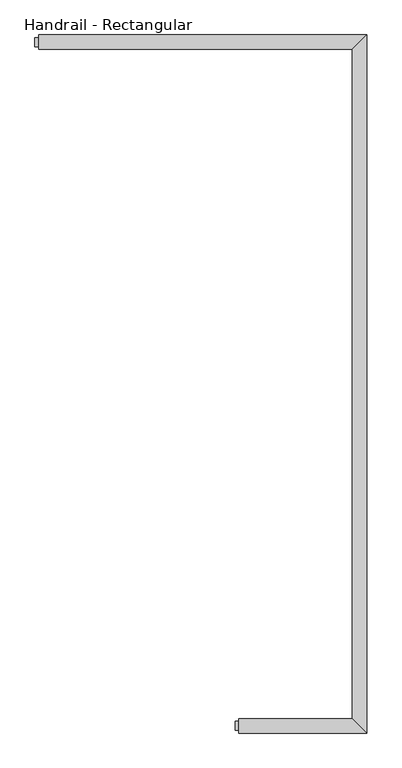
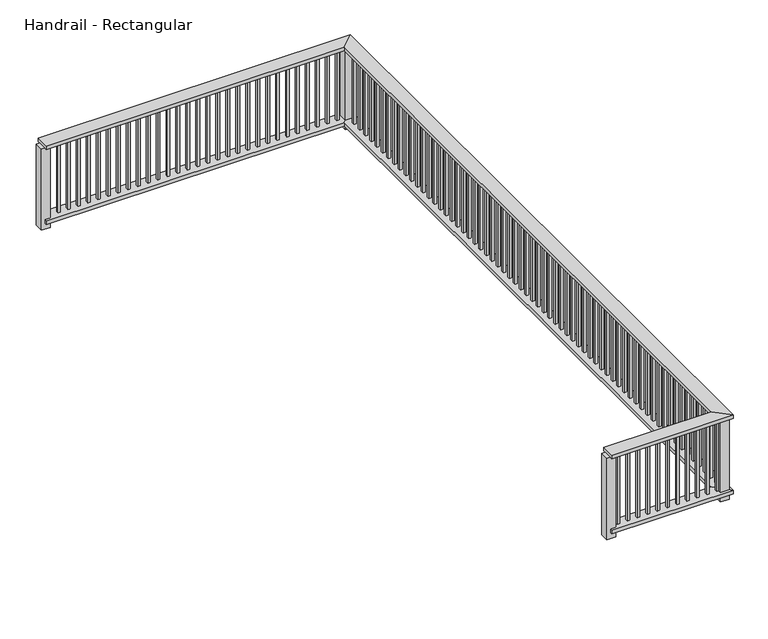
"""IFC4 building model written with IfcOpenShell, lengths in millimetres: railing geometry, Handrail - Rectangular."""

import ifcopenshell
import ifcopenshell.guid

model = None  # the IFC model being written
_history = None  # IfcOwnerHistory: only IFC2X3 demands one
_inside = {}  # id of a spatial element -> (the spatial element, [elements in it])
_under = {}  # id of a project, library or spatial element -> (it, [spatial elements below it])
_declared = {}  # id of a project -> (the project, [libraries it declares])
_typed = {}  # id of a type object -> (the type object, [elements of that type])
_made_of = {}  # id of a material, layer set ... -> (it, [elements and type objects made of it])


def new_model(schema):
    """Start an empty IFC model of exactly this schema.

    Asked for "IFC4X3", IfcOpenShell would pick the latest addendum, in which some entities
    have other attributes; the version numbers below select the first issue.
    IFC2X3 requires an IfcOwnerHistory on every rooted entity: one is made here for all.
    """
    global model, _history
    if schema == "IFC4X3":
        model = ifcopenshell.file(schema_version=(4, 3, 0, 0))
    else:
        model = ifcopenshell.file(schema=schema)
    _inside.clear()
    _under.clear()
    _declared.clear()
    _typed.clear()
    _made_of.clear()
    _history = None
    if model.schema == "IFC2X3":
        org = make("IfcOrganization", Name="unknown")
        user = make(
            "IfcPersonAndOrganization",
            ThePerson=make("IfcPerson", FamilyName="unknown"),
            TheOrganization=org,
        )
        app = make(
            "IfcApplication",
            ApplicationDeveloper=org,
            Version="unknown",
            ApplicationFullName="unknown",
            ApplicationIdentifier="unknown",
        )
        _history = make(
            "IfcOwnerHistory",
            OwningUser=user,
            OwningApplication=app,
            ChangeAction="ADDED",
            CreationDate=0,
        )
    return model


def make(cls, **values):
    """One entity of the class cls with the attributes given. An attribute that is None is left unset."""
    return model.create_entity(
        cls, **{name: value for name, value in values.items() if value is not None}
    )


def rooted(cls, **values):
    """An entity with a GlobalId (a new one), such as an element, a storey or a relation."""
    return make(cls, GlobalId=ifcopenshell.guid.new(), OwnerHistory=_history, **values)


def si_unit(unit_type, name, prefix=None):
    """IfcSIUnit, for example si_unit("LENGTHUNIT", "METRE", prefix="MILLI")."""
    return make("IfcSIUnit", UnitType=unit_type, Prefix=prefix, Name=name)


def assignment(units):
    """IfcUnitAssignment: the units of a project."""
    return None if units is None else make("IfcUnitAssignment", Units=units)


def point(xyz):
    """IfcCartesianPoint."""
    return None if xyz is None else make("IfcCartesianPoint", Coordinates=xyz)


def direction(xyz):
    """IfcDirection."""
    return None if xyz is None else make("IfcDirection", DirectionRatios=xyz)


def frame(location, z_axis=None, x_axis=None):
    """IfcAxis2Placement3D, a coordinate frame: its origin and axes. An axis left out is left unset."""
    return make(
        "IfcAxis2Placement3D",
        Location=point(location),
        Axis=direction(z_axis),
        RefDirection=direction(x_axis),
    )


def origin():
    """The frame at (0, 0, 0) with its axes left unset."""
    return frame((0.0, 0.0, 0.0))


def place(relative_to, where):
    """IfcLocalPlacement: puts the frame where relative to a parent placement (None: the world)."""
    return make(
        "IfcLocalPlacement", PlacementRelTo=relative_to, RelativePlacement=where
    )


def context(
    kind, dimensions, precision=None, world=None, true_north=None, identifier=None
):
    """IfcGeometricRepresentationContext, for example the 3D "Model" context."""
    return make(
        "IfcGeometricRepresentationContext",
        ContextIdentifier=identifier,
        ContextType=kind,
        CoordinateSpaceDimension=dimensions,
        Precision=precision,
        WorldCoordinateSystem=world,
        TrueNorth=true_north,
    )


def project(units=None, contexts=None):
    """IfcProject with its units and contexts."""
    return rooted(
        "IfcProject",
        Name="project",
        RepresentationContexts=contexts,
        UnitsInContext=assignment(units),
    )


def spatial(cls, under=None, at=None, **own):
    """A site, building, storey or space (cls), placed at a placement, below another one or the project."""
    s = rooted(cls, ObjectPlacement=at, **own)
    if under is not None:
        _under.setdefault(under.id(), (under, []))[1].append(s)
    return s


def polyline(points):
    """IfcPolyline through the points."""
    return make("IfcPolyline", Points=[point(p) for p in points])


def outline(outer, holes=None, kind="AREA"):
    """IfcArbitraryClosedProfileDef: a profile drawn as a closed curve; with holes, ...WithVoids."""
    if holes is None:
        return make("IfcArbitraryClosedProfileDef", ProfileType=kind, OuterCurve=outer)
    return make(
        "IfcArbitraryProfileDefWithVoids",
        ProfileType=kind,
        OuterCurve=outer,
        InnerCurves=holes,
    )


def extrude(swept, where, along, depth):
    """IfcExtrudedAreaSolid: the profile swept, set in the frame where, extruded along a direction by depth."""
    return make(
        "IfcExtrudedAreaSolid",
        SweptArea=swept,
        Position=where,
        ExtrudedDirection=direction(along),
        Depth=depth,
    )


def faces_of(points, faces, orient=None, outer=None):
    """IfcFace entities. A face is a list of loops; a loop is a list of indices into points, from 0.

    orient and outer hold one flag for each loop. By default every Orientation is true, the
    first loop of a face is its IfcFaceOuterBound and the others are IfcFaceBound.
    """
    made = []
    for i, loops in enumerate(faces):
        bounds = []
        for j, loop in enumerate(loops):
            is_outer = j == 0 if outer is None else outer[i][j]
            bounds.append(
                make(
                    "IfcFaceOuterBound" if is_outer else "IfcFaceBound",
                    Bound=make("IfcPolyLoop", Polygon=[points[k] for k in loop]),
                    Orientation=True if orient is None else orient[i][j],
                )
            )
        made.append(make("IfcFace", Bounds=bounds))
    return made


def faceted_brep(points, faces, orient=None, outer=None, voids=None):
    """IfcFacetedBrep: a solid bounded by flat faces; with voids (closed shells), ...WithVoids."""
    shared = [point(p) for p in points]
    hull = make("IfcClosedShell", CfsFaces=faces_of(shared, faces, orient, outer))
    if voids is None:
        return make("IfcFacetedBrep", Outer=hull)
    return make(
        "IfcFacetedBrepWithVoids",
        Outer=hull,
        Voids=[
            make(cls, CfsFaces=faces_of(shared, fs, o, b)) for cls, fs, o, b in voids
        ],
    )


def shape(context_of_items, identifier, shape_type, items):
    """IfcShapeRepresentation: the items that make up one representation, for example the "Body"."""
    return make(
        "IfcShapeRepresentation",
        ContextOfItems=context_of_items,
        RepresentationIdentifier=identifier,
        RepresentationType=shape_type,
        Items=items,
    )


def source(mapping_origin, context_of_items, identifier, shape_type, items):
    """IfcRepresentationMap: a shape defined once, which mapped items show again and again."""
    return make(
        "IfcRepresentationMap",
        MappingOrigin=mapping_origin,
        MappedRepresentation=shape(context_of_items, identifier, shape_type, items),
    )


def transform(
    local_origin,
    x_axis=None,
    y_axis=None,
    z_axis=None,
    scale=None,
    scale2=None,
    scale3=None,
    uniform=True,
):
    """IfcCartesianTransformationOperator3D, or its non-uniform kind. x_axis, y_axis, z_axis: its Axis1, 2, 3."""
    if uniform:
        return make(
            "IfcCartesianTransformationOperator3D",
            Axis1=direction(x_axis),
            Axis2=direction(y_axis),
            LocalOrigin=point(local_origin),
            Scale=scale,
            Axis3=direction(z_axis),
        )
    return make(
        "IfcCartesianTransformationOperator3DnonUniform",
        Axis1=direction(x_axis),
        Axis2=direction(y_axis),
        LocalOrigin=point(local_origin),
        Scale=scale,
        Axis3=direction(z_axis),
        Scale2=scale2,
        Scale3=scale3,
    )


def mapped(mapping_source, mapping_target):
    """IfcMappedItem: shows the shape of a source again, moved by a transform."""
    return make(
        "IfcMappedItem", MappingSource=mapping_source, MappingTarget=mapping_target
    )


def made_of(thing, what):
    """Note that an element or type object is made of a material, layer set ...; save() writes the relation."""
    if what is not None:
        _made_of.setdefault(what.id(), (what, []))[1].append(thing)
    return thing


def element(
    cls,
    number,
    at=None,
    inside=None,
    cuts=None,
    type_object=None,
    material=None,
    context=None,
    identifier="Body",
    shape_type=None,
    held_by="IfcProductDefinitionShape",
    body=None,
    shapes=None,
    **own,
):
    """One element of the class cls, such as IfcWall. Its Tag is "e" and its number.

    at: its placement. inside: the storey or other place that contains it. cuts: it is an
    opening in that element (IfcRelVoidsElement). A single representation is given by context,
    identifier, shape_type and body (its items); several are given by shapes. held_by: the class
    of the entity that holds the representations. save() writes the other relations.
    """
    e = rooted(cls, Tag="e%d" % number, ObjectPlacement=at, **own)
    if body is not None:
        shapes = [shape(context, identifier, shape_type, body)]
    if shapes is not None:
        e.Representation = make(held_by, Representations=shapes)
    if inside is not None:
        _inside.setdefault(inside.id(), (inside, []))[1].append(e)
    if cuts is not None:
        rooted(
            "IfcRelVoidsElement", RelatingBuildingElement=cuts, RelatedOpeningElement=e
        )
    if type_object is not None:
        _typed.setdefault(type_object.id(), (type_object, []))[1].append(e)
    return made_of(e, material)


def aggregate(whole, parts):
    """IfcRelAggregates: a whole, such as a stair, and the parts it consists of."""
    return rooted("IfcRelAggregates", RelatingObject=whole, RelatedObjects=parts)


def save(model, path):
    """Write the relations noted so far, then the file.

    IfcRelAggregates (storeys below a building ...), IfcRelContainedInSpatialStructure (elements
    in a storey), IfcRelDefinesByType, IfcRelAssociatesMaterial and IfcRelDeclares: one each for
    every whole, place, type object, material and project.
    """
    for whole, parts in _under.values():
        aggregate(whole, parts)
    for where, things in _inside.values():
        rooted(
            "IfcRelContainedInSpatialStructure",
            RelatedElements=things,
            RelatingStructure=where,
        )
    for kind, things in _typed.values():
        rooted("IfcRelDefinesByType", RelatedObjects=things, RelatingType=kind)
    for what, things in _made_of.values():
        rooted("IfcRelAssociatesMaterial", RelatedObjects=things, RelatingMaterial=what)
    for by, libraries in _declared.values():
        rooted("IfcRelDeclares", RelatingContext=by, RelatedDefinitions=libraries)
    model.write(path)


def handrail_rectangular_650aa019(model_context):
    return source(origin(), model_context, "Body", "SolidModel", [
        faceted_brep([(3105.8952348, 8651.0984734, -254.0), (3105.8952348, 8790.7984734, -254.0), (3105.8952348, 8790.7984734, -292.1), (3105.8952348, 8651.0984734, -292.1), (4344.1452348, 8651.0984734, -254.0), (4204.4452348, 8790.7984734, -254.0), (4344.1452348, 8651.0984734, -292.1), (4204.4452348, 8790.7984734, -292.1), (4344.1452348, 15420.1984734, -254.0), (4204.4452348, 15280.4984734, -254.0), (4344.1452348, 15420.1984734, -292.1), (4204.4452348, 15280.4984734, -292.1), (1162.7952348, 15420.1984734, -254.0), (1162.7952348, 15420.1984734, -292.1), (1162.7952348, 15280.4984734, -292.1), (1162.7952348, 15280.4984734, -254.0)], [[[0, 1, 2, 3]], [[1, 0, 4, 5]], [[0, 3, 6, 4]], [[3, 2, 7, 6]], [[2, 1, 5, 7]], [[5, 4, 8, 9]], [[4, 6, 10, 8]], [[6, 7, 11, 10]], [[7, 5, 9, 11]], [[12, 13, 14, 15]], [[9, 8, 12, 15]], [[8, 10, 13, 12]], [[10, 11, 14, 13]], [[11, 9, 15, 14]]]),
        faceted_brep([(3105.8952348, 8651.0984734, 558.8), (3105.8952348, 8790.7984734, 558.8), (3105.8952348, 8790.7984734, 520.7), (3105.8952348, 8651.0984734, 520.7), (4344.1452348, 8651.0984734, 558.8), (4204.4452348, 8790.7984734, 558.8), (4204.4452348, 8790.7984734, 520.7), (4344.1452348, 8651.0984734, 520.7), (4344.1452348, 15420.1984734, 558.8), (4204.4452348, 15280.4984734, 558.8), (4204.4452348, 15280.4984734, 520.7), (4344.1452348, 15420.1984734, 520.7), (1162.7952348, 15420.1984734, 558.8), (1162.7952348, 15420.1984734, 520.7), (1162.7952348, 15280.4984734, 520.7), (1162.7952348, 15280.4984734, 558.8)], [[[0, 1, 2, 3]], [[1, 0, 4, 5]], [[2, 1, 5, 6]], [[3, 2, 6, 7]], [[0, 3, 7, 4]], [[5, 4, 8, 9]], [[6, 5, 9, 10]], [[7, 6, 10, 11]], [[4, 7, 11, 8]], [[12, 13, 14, 15]], [[9, 8, 12, 15]], [[10, 9, 15, 14]], [[11, 10, 14, 13]], [[8, 11, 13, 12]]]),
        extrude(outline(polyline([(1238.9952348, 15363.0484734), (1238.9952348, 15337.6484734), (1213.5952348, 15337.6484734), (1213.5952348, 15363.0484734), (1238.9952348, 15363.0484734)])), frame((0.0, 0.0, -254.0), z_axis=(0.0, 0.0, 1.0), x_axis=(1.0, 0.0, 0.0)), (0.0, 0.0, 1.0), 774.7),
        extrude(outline(polyline([(1340.5952348, 15363.0484734), (1340.5952348, 15337.6484734), (1315.1952348, 15337.6484734), (1315.1952348, 15363.0484734), (1340.5952348, 15363.0484734)])), frame((0.0, 0.0, -254.0), z_axis=(0.0, 0.0, 1.0), x_axis=(1.0, 0.0, 0.0)), (0.0, 0.0, 1.0), 774.7),
        extrude(outline(polyline([(1442.1952348, 15363.0484734), (1442.1952348, 15337.6484734), (1416.7952348, 15337.6484734), (1416.7952348, 15363.0484734), (1442.1952348, 15363.0484734)])), frame((0.0, 0.0, -254.0), z_axis=(0.0, 0.0, 1.0), x_axis=(1.0, 0.0, 0.0)), (0.0, 0.0, 1.0), 774.7),
        extrude(outline(polyline([(1543.7952348, 15363.0484734), (1543.7952348, 15337.6484734), (1518.3952348, 15337.6484734), (1518.3952348, 15363.0484734), (1543.7952348, 15363.0484734)])), frame((0.0, 0.0, -254.0), z_axis=(0.0, 0.0, 1.0), x_axis=(1.0, 0.0, 0.0)), (0.0, 0.0, 1.0), 774.7),
        extrude(outline(polyline([(1645.3952348, 15363.0484734), (1645.3952348, 15337.6484734), (1619.9952348, 15337.6484734), (1619.9952348, 15363.0484734), (1645.3952348, 15363.0484734)])), frame((0.0, 0.0, -254.0), z_axis=(0.0, 0.0, 1.0), x_axis=(1.0, 0.0, 0.0)), (0.0, 0.0, 1.0), 774.7),
        extrude(outline(polyline([(1746.9952348, 15363.0484734), (1746.9952348, 15337.6484734), (1721.5952348, 15337.6484734), (1721.5952348, 15363.0484734), (1746.9952348, 15363.0484734)])), frame((0.0, 0.0, -254.0), z_axis=(0.0, 0.0, 1.0), x_axis=(1.0, 0.0, 0.0)), (0.0, 0.0, 1.0), 774.7),
        extrude(outline(polyline([(1848.5952348, 15363.0484734), (1848.5952348, 15337.6484734), (1823.1952348, 15337.6484734), (1823.1952348, 15363.0484734), (1848.5952348, 15363.0484734)])), frame((0.0, 0.0, -254.0), z_axis=(0.0, 0.0, 1.0), x_axis=(1.0, 0.0, 0.0)), (0.0, 0.0, 1.0), 774.7),
        extrude(outline(polyline([(1950.1952348, 15363.0484734), (1950.1952348, 15337.6484734), (1924.7952348, 15337.6484734), (1924.7952348, 15363.0484734), (1950.1952348, 15363.0484734)])), frame((0.0, 0.0, -254.0), z_axis=(0.0, 0.0, 1.0), x_axis=(1.0, 0.0, 0.0)), (0.0, 0.0, 1.0), 774.7),
        extrude(outline(polyline([(2051.7952348, 15363.0484734), (2051.7952348, 15337.6484734), (2026.3952348, 15337.6484734), (2026.3952348, 15363.0484734), (2051.7952348, 15363.0484734)])), frame((0.0, 0.0, -254.0), z_axis=(0.0, 0.0, 1.0), x_axis=(1.0, 0.0, 0.0)), (0.0, 0.0, 1.0), 774.7),
        extrude(outline(polyline([(2153.3952348, 15363.0484734), (2153.3952348, 15337.6484734), (2127.9952348, 15337.6484734), (2127.9952348, 15363.0484734), (2153.3952348, 15363.0484734)])), frame((0.0, 0.0, -254.0), z_axis=(0.0, 0.0, 1.0), x_axis=(1.0, 0.0, 0.0)), (0.0, 0.0, 1.0), 774.7),
        extrude(outline(polyline([(2254.9952348, 15363.0484734), (2254.9952348, 15337.6484734), (2229.5952348, 15337.6484734), (2229.5952348, 15363.0484734), (2254.9952348, 15363.0484734)])), frame((0.0, 0.0, -254.0), z_axis=(0.0, 0.0, 1.0), x_axis=(1.0, 0.0, 0.0)), (0.0, 0.0, 1.0), 774.7),
        extrude(outline(polyline([(2356.5952348, 15363.0484734), (2356.5952348, 15337.6484734), (2331.1952348, 15337.6484734), (2331.1952348, 15363.0484734), (2356.5952348, 15363.0484734)])), frame((0.0, 0.0, -254.0), z_axis=(0.0, 0.0, 1.0), x_axis=(1.0, 0.0, 0.0)), (0.0, 0.0, 1.0), 774.7),
        extrude(outline(polyline([(2458.1952348, 15363.0484734), (2458.1952348, 15337.6484734), (2432.7952348, 15337.6484734), (2432.7952348, 15363.0484734), (2458.1952348, 15363.0484734)])), frame((0.0, 0.0, -254.0), z_axis=(0.0, 0.0, 1.0), x_axis=(1.0, 0.0, 0.0)), (0.0, 0.0, 1.0), 774.7),
        extrude(outline(polyline([(2559.7952348, 15363.0484734), (2559.7952348, 15337.6484734), (2534.3952348, 15337.6484734), (2534.3952348, 15363.0484734), (2559.7952348, 15363.0484734)])), frame((0.0, 0.0, -254.0), z_axis=(0.0, 0.0, 1.0), x_axis=(1.0, 0.0, 0.0)), (0.0, 0.0, 1.0), 774.7),
        extrude(outline(polyline([(2661.3952348, 15363.0484734), (2661.3952348, 15337.6484734), (2635.9952348, 15337.6484734), (2635.9952348, 15363.0484734), (2661.3952348, 15363.0484734)])), frame((0.0, 0.0, -254.0), z_axis=(0.0, 0.0, 1.0), x_axis=(1.0, 0.0, 0.0)), (0.0, 0.0, 1.0), 774.7),
        extrude(outline(polyline([(2762.9952348, 15363.0484734), (2762.9952348, 15337.6484734), (2737.5952348, 15337.6484734), (2737.5952348, 15363.0484734), (2762.9952348, 15363.0484734)])), frame((0.0, 0.0, -254.0), z_axis=(0.0, 0.0, 1.0), x_axis=(1.0, 0.0, 0.0)), (0.0, 0.0, 1.0), 774.7),
        extrude(outline(polyline([(2864.5952348, 15363.0484734), (2864.5952348, 15337.6484734), (2839.1952348, 15337.6484734), (2839.1952348, 15363.0484734), (2864.5952348, 15363.0484734)])), frame((0.0, 0.0, -254.0), z_axis=(0.0, 0.0, 1.0), x_axis=(1.0, 0.0, 0.0)), (0.0, 0.0, 1.0), 774.7),
        extrude(outline(polyline([(2966.1952348, 15363.0484734), (2966.1952348, 15337.6484734), (2940.7952348, 15337.6484734), (2940.7952348, 15363.0484734), (2966.1952348, 15363.0484734)])), frame((0.0, 0.0, -254.0), z_axis=(0.0, 0.0, 1.0), x_axis=(1.0, 0.0, 0.0)), (0.0, 0.0, 1.0), 774.7),
        extrude(outline(polyline([(3067.7952348, 15363.0484734), (3067.7952348, 15337.6484734), (3042.3952348, 15337.6484734), (3042.3952348, 15363.0484734), (3067.7952348, 15363.0484734)])), frame((0.0, 0.0, -254.0), z_axis=(0.0, 0.0, 1.0), x_axis=(1.0, 0.0, 0.0)), (0.0, 0.0, 1.0), 774.7),
        extrude(outline(polyline([(3169.3952348, 15363.0484734), (3169.3952348, 15337.6484734), (3143.9952348, 15337.6484734), (3143.9952348, 15363.0484734), (3169.3952348, 15363.0484734)])), frame((0.0, 0.0, -254.0), z_axis=(0.0, 0.0, 1.0), x_axis=(1.0, 0.0, 0.0)), (0.0, 0.0, 1.0), 774.7),
        extrude(outline(polyline([(3270.9952348, 15363.0484734), (3270.9952348, 15337.6484734), (3245.5952348, 15337.6484734), (3245.5952348, 15363.0484734), (3270.9952348, 15363.0484734)])), frame((0.0, 0.0, -254.0), z_axis=(0.0, 0.0, 1.0), x_axis=(1.0, 0.0, 0.0)), (0.0, 0.0, 1.0), 774.7),
        extrude(outline(polyline([(3372.5952348, 15363.0484734), (3372.5952348, 15337.6484734), (3347.1952348, 15337.6484734), (3347.1952348, 15363.0484734), (3372.5952348, 15363.0484734)])), frame((0.0, 0.0, -254.0), z_axis=(0.0, 0.0, 1.0), x_axis=(1.0, 0.0, 0.0)), (0.0, 0.0, 1.0), 774.7),
        extrude(outline(polyline([(3474.1952348, 15363.0484734), (3474.1952348, 15337.6484734), (3448.7952348, 15337.6484734), (3448.7952348, 15363.0484734), (3474.1952348, 15363.0484734)])), frame((0.0, 0.0, -254.0), z_axis=(0.0, 0.0, 1.0), x_axis=(1.0, 0.0, 0.0)), (0.0, 0.0, 1.0), 774.7),
        extrude(outline(polyline([(3575.7952348, 15363.0484734), (3575.7952348, 15337.6484734), (3550.3952348, 15337.6484734), (3550.3952348, 15363.0484734), (3575.7952348, 15363.0484734)])), frame((0.0, 0.0, -254.0), z_axis=(0.0, 0.0, 1.0), x_axis=(1.0, 0.0, 0.0)), (0.0, 0.0, 1.0), 774.7),
        extrude(outline(polyline([(3677.3952348, 15363.0484734), (3677.3952348, 15337.6484734), (3651.9952348, 15337.6484734), (3651.9952348, 15363.0484734), (3677.3952348, 15363.0484734)])), frame((0.0, 0.0, -254.0), z_axis=(0.0, 0.0, 1.0), x_axis=(1.0, 0.0, 0.0)), (0.0, 0.0, 1.0), 774.7),
        extrude(outline(polyline([(3778.9952348, 15363.0484734), (3778.9952348, 15337.6484734), (3753.5952348, 15337.6484734), (3753.5952348, 15363.0484734), (3778.9952348, 15363.0484734)])), frame((0.0, 0.0, -254.0), z_axis=(0.0, 0.0, 1.0), x_axis=(1.0, 0.0, 0.0)), (0.0, 0.0, 1.0), 774.7),
        extrude(outline(polyline([(3880.5952348, 15363.0484734), (3880.5952348, 15337.6484734), (3855.1952348, 15337.6484734), (3855.1952348, 15363.0484734), (3880.5952348, 15363.0484734)])), frame((0.0, 0.0, -254.0), z_axis=(0.0, 0.0, 1.0), x_axis=(1.0, 0.0, 0.0)), (0.0, 0.0, 1.0), 774.7),
        extrude(outline(polyline([(3982.1952348, 15363.0484734), (3982.1952348, 15337.6484734), (3956.7952348, 15337.6484734), (3956.7952348, 15363.0484734), (3982.1952348, 15363.0484734)])), frame((0.0, 0.0, -254.0), z_axis=(0.0, 0.0, 1.0), x_axis=(1.0, 0.0, 0.0)), (0.0, 0.0, 1.0), 774.7),
        extrude(outline(polyline([(4083.7952348, 15363.0484734), (4083.7952348, 15337.6484734), (4058.3952348, 15337.6484734), (4058.3952348, 15363.0484734), (4083.7952348, 15363.0484734)])), frame((0.0, 0.0, -254.0), z_axis=(0.0, 0.0, 1.0), x_axis=(1.0, 0.0, 0.0)), (0.0, 0.0, 1.0), 774.7),
        extrude(outline(polyline([(4185.3952348, 15363.0484734), (4185.3952348, 15337.6484734), (4159.9952348, 15337.6484734), (4159.9952348, 15363.0484734), (4185.3952348, 15363.0484734)])), frame((0.0, 0.0, -254.0), z_axis=(0.0, 0.0, 1.0), x_axis=(1.0, 0.0, 0.0)), (0.0, 0.0, 1.0), 774.7),
        extrude(outline(polyline([(4286.9952348, 15312.2484734), (4261.5952348, 15312.2484734), (4261.5952348, 15337.6484734), (4286.9952348, 15337.6484734), (4286.9952348, 15312.2484734)])), frame((0.0, 0.0, -254.0), z_axis=(0.0, 0.0, 1.0), x_axis=(1.0, 0.0, 0.0)), (0.0, 0.0, 1.0), 774.7),
        extrude(outline(polyline([(4286.9952348, 15210.6484734), (4261.5952348, 15210.6484734), (4261.5952348, 15236.0484734), (4286.9952348, 15236.0484734), (4286.9952348, 15210.6484734)])), frame((0.0, 0.0, -254.0), z_axis=(0.0, 0.0, 1.0), x_axis=(1.0, 0.0, 0.0)), (0.0, 0.0, 1.0), 774.7),
        extrude(outline(polyline([(4286.9952348, 15109.0484734), (4261.5952348, 15109.0484734), (4261.5952348, 15134.4484734), (4286.9952348, 15134.4484734), (4286.9952348, 15109.0484734)])), frame((0.0, 0.0, -254.0), z_axis=(0.0, 0.0, 1.0), x_axis=(1.0, 0.0, 0.0)), (0.0, 0.0, 1.0), 774.7),
        extrude(outline(polyline([(4286.9952348, 15007.4484734), (4261.5952348, 15007.4484734), (4261.5952348, 15032.8484734), (4286.9952348, 15032.8484734), (4286.9952348, 15007.4484734)])), frame((0.0, 0.0, -254.0), z_axis=(0.0, 0.0, 1.0), x_axis=(1.0, 0.0, 0.0)), (0.0, 0.0, 1.0), 774.7),
        extrude(outline(polyline([(4286.9952348, 14905.8484734), (4261.5952348, 14905.8484734), (4261.5952348, 14931.2484734), (4286.9952348, 14931.2484734), (4286.9952348, 14905.8484734)])), frame((0.0, 0.0, -254.0), z_axis=(0.0, 0.0, 1.0), x_axis=(1.0, 0.0, 0.0)), (0.0, 0.0, 1.0), 774.7),
        extrude(outline(polyline([(4286.9952348, 14804.2484734), (4261.5952348, 14804.2484734), (4261.5952348, 14829.6484734), (4286.9952348, 14829.6484734), (4286.9952348, 14804.2484734)])), frame((0.0, 0.0, -254.0), z_axis=(0.0, 0.0, 1.0), x_axis=(1.0, 0.0, 0.0)), (0.0, 0.0, 1.0), 774.7),
        extrude(outline(polyline([(4286.9952348, 14702.6484734), (4261.5952348, 14702.6484734), (4261.5952348, 14728.0484734), (4286.9952348, 14728.0484734), (4286.9952348, 14702.6484734)])), frame((0.0, 0.0, -254.0), z_axis=(0.0, 0.0, 1.0), x_axis=(1.0, 0.0, 0.0)), (0.0, 0.0, 1.0), 774.7),
        extrude(outline(polyline([(4286.9952348, 14601.0484734), (4261.5952348, 14601.0484734), (4261.5952348, 14626.4484734), (4286.9952348, 14626.4484734), (4286.9952348, 14601.0484734)])), frame((0.0, 0.0, -254.0), z_axis=(0.0, 0.0, 1.0), x_axis=(1.0, 0.0, 0.0)), (0.0, 0.0, 1.0), 774.7),
        extrude(outline(polyline([(4286.9952348, 14499.4484734), (4261.5952348, 14499.4484734), (4261.5952348, 14524.8484734), (4286.9952348, 14524.8484734), (4286.9952348, 14499.4484734)])), frame((0.0, 0.0, -254.0), z_axis=(0.0, 0.0, 1.0), x_axis=(1.0, 0.0, 0.0)), (0.0, 0.0, 1.0), 774.7),
        extrude(outline(polyline([(4286.9952348, 14397.8484734), (4261.5952348, 14397.8484734), (4261.5952348, 14423.2484734), (4286.9952348, 14423.2484734), (4286.9952348, 14397.8484734)])), frame((0.0, 0.0, -254.0), z_axis=(0.0, 0.0, 1.0), x_axis=(1.0, 0.0, 0.0)), (0.0, 0.0, 1.0), 774.7),
        extrude(outline(polyline([(4286.9952348, 14296.2484734), (4261.5952348, 14296.2484734), (4261.5952348, 14321.6484734), (4286.9952348, 14321.6484734), (4286.9952348, 14296.2484734)])), frame((0.0, 0.0, -254.0), z_axis=(0.0, 0.0, 1.0), x_axis=(1.0, 0.0, 0.0)), (0.0, 0.0, 1.0), 774.7),
        extrude(outline(polyline([(4286.9952348, 14194.6484734), (4261.5952348, 14194.6484734), (4261.5952348, 14220.0484734), (4286.9952348, 14220.0484734), (4286.9952348, 14194.6484734)])), frame((0.0, 0.0, -254.0), z_axis=(0.0, 0.0, 1.0), x_axis=(1.0, 0.0, 0.0)), (0.0, 0.0, 1.0), 774.7),
        extrude(outline(polyline([(4286.9952348, 14093.0484734), (4261.5952348, 14093.0484734), (4261.5952348, 14118.4484734), (4286.9952348, 14118.4484734), (4286.9952348, 14093.0484734)])), frame((0.0, 0.0, -254.0), z_axis=(0.0, 0.0, 1.0), x_axis=(1.0, 0.0, 0.0)), (0.0, 0.0, 1.0), 774.7),
        extrude(outline(polyline([(4286.9952348, 13991.4484734), (4261.5952348, 13991.4484734), (4261.5952348, 14016.8484734), (4286.9952348, 14016.8484734), (4286.9952348, 13991.4484734)])), frame((0.0, 0.0, -254.0), z_axis=(0.0, 0.0, 1.0), x_axis=(1.0, 0.0, 0.0)), (0.0, 0.0, 1.0), 774.7),
        extrude(outline(polyline([(4286.9952348, 13889.8484734), (4261.5952348, 13889.8484734), (4261.5952348, 13915.2484734), (4286.9952348, 13915.2484734), (4286.9952348, 13889.8484734)])), frame((0.0, 0.0, -254.0), z_axis=(0.0, 0.0, 1.0), x_axis=(1.0, 0.0, 0.0)), (0.0, 0.0, 1.0), 774.7),
        extrude(outline(polyline([(4286.9952348, 13788.2484734), (4261.5952348, 13788.2484734), (4261.5952348, 13813.6484734), (4286.9952348, 13813.6484734), (4286.9952348, 13788.2484734)])), frame((0.0, 0.0, -254.0), z_axis=(0.0, 0.0, 1.0), x_axis=(1.0, 0.0, 0.0)), (0.0, 0.0, 1.0), 774.7),
        extrude(outline(polyline([(4286.9952348, 13686.6484734), (4261.5952348, 13686.6484734), (4261.5952348, 13712.0484734), (4286.9952348, 13712.0484734), (4286.9952348, 13686.6484734)])), frame((0.0, 0.0, -254.0), z_axis=(0.0, 0.0, 1.0), x_axis=(1.0, 0.0, 0.0)), (0.0, 0.0, 1.0), 774.7),
        extrude(outline(polyline([(4286.9952348, 13585.0484734), (4261.5952348, 13585.0484734), (4261.5952348, 13610.4484734), (4286.9952348, 13610.4484734), (4286.9952348, 13585.0484734)])), frame((0.0, 0.0, -254.0), z_axis=(0.0, 0.0, 1.0), x_axis=(1.0, 0.0, 0.0)), (0.0, 0.0, 1.0), 774.7),
        extrude(outline(polyline([(4286.9952348, 13483.4484734), (4261.5952348, 13483.4484734), (4261.5952348, 13508.8484734), (4286.9952348, 13508.8484734), (4286.9952348, 13483.4484734)])), frame((0.0, 0.0, -254.0), z_axis=(0.0, 0.0, 1.0), x_axis=(1.0, 0.0, 0.0)), (0.0, 0.0, 1.0), 774.7),
        extrude(outline(polyline([(4286.9952348, 13381.8484734), (4261.5952348, 13381.8484734), (4261.5952348, 13407.2484734), (4286.9952348, 13407.2484734), (4286.9952348, 13381.8484734)])), frame((0.0, 0.0, -254.0), z_axis=(0.0, 0.0, 1.0), x_axis=(1.0, 0.0, 0.0)), (0.0, 0.0, 1.0), 774.7),
        extrude(outline(polyline([(4286.9952348, 13280.2484734), (4261.5952348, 13280.2484734), (4261.5952348, 13305.6484734), (4286.9952348, 13305.6484734), (4286.9952348, 13280.2484734)])), frame((0.0, 0.0, -254.0), z_axis=(0.0, 0.0, 1.0), x_axis=(1.0, 0.0, 0.0)), (0.0, 0.0, 1.0), 774.7),
        extrude(outline(polyline([(4286.9952348, 13178.6484734), (4261.5952348, 13178.6484734), (4261.5952348, 13204.0484734), (4286.9952348, 13204.0484734), (4286.9952348, 13178.6484734)])), frame((0.0, 0.0, -254.0), z_axis=(0.0, 0.0, 1.0), x_axis=(1.0, 0.0, 0.0)), (0.0, 0.0, 1.0), 774.7),
        extrude(outline(polyline([(4286.9952348, 13077.0484734), (4261.5952348, 13077.0484734), (4261.5952348, 13102.4484734), (4286.9952348, 13102.4484734), (4286.9952348, 13077.0484734)])), frame((0.0, 0.0, -254.0), z_axis=(0.0, 0.0, 1.0), x_axis=(1.0, 0.0, 0.0)), (0.0, 0.0, 1.0), 774.7),
        extrude(outline(polyline([(4286.9952348, 12975.4484734), (4261.5952348, 12975.4484734), (4261.5952348, 13000.8484734), (4286.9952348, 13000.8484734), (4286.9952348, 12975.4484734)])), frame((0.0, 0.0, -254.0), z_axis=(0.0, 0.0, 1.0), x_axis=(1.0, 0.0, 0.0)), (0.0, 0.0, 1.0), 774.7),
        extrude(outline(polyline([(4286.9952348, 12873.8484734), (4261.5952348, 12873.8484734), (4261.5952348, 12899.2484734), (4286.9952348, 12899.2484734), (4286.9952348, 12873.8484734)])), frame((0.0, 0.0, -254.0), z_axis=(0.0, 0.0, 1.0), x_axis=(1.0, 0.0, 0.0)), (0.0, 0.0, 1.0), 774.7),
        extrude(outline(polyline([(4286.9952348, 12772.2484734), (4261.5952348, 12772.2484734), (4261.5952348, 12797.6484734), (4286.9952348, 12797.6484734), (4286.9952348, 12772.2484734)])), frame((0.0, 0.0, -254.0), z_axis=(0.0, 0.0, 1.0), x_axis=(1.0, 0.0, 0.0)), (0.0, 0.0, 1.0), 774.7),
        extrude(outline(polyline([(4286.9952348, 12670.6484734), (4261.5952348, 12670.6484734), (4261.5952348, 12696.0484734), (4286.9952348, 12696.0484734), (4286.9952348, 12670.6484734)])), frame((0.0, 0.0, -254.0), z_axis=(0.0, 0.0, 1.0), x_axis=(1.0, 0.0, 0.0)), (0.0, 0.0, 1.0), 774.7),
        extrude(outline(polyline([(4286.9952348, 12569.0484734), (4261.5952348, 12569.0484734), (4261.5952348, 12594.4484734), (4286.9952348, 12594.4484734), (4286.9952348, 12569.0484734)])), frame((0.0, 0.0, -254.0), z_axis=(0.0, 0.0, 1.0), x_axis=(1.0, 0.0, 0.0)), (0.0, 0.0, 1.0), 774.7),
        extrude(outline(polyline([(4286.9952348, 12467.4484734), (4261.5952348, 12467.4484734), (4261.5952348, 12492.8484734), (4286.9952348, 12492.8484734), (4286.9952348, 12467.4484734)])), frame((0.0, 0.0, -254.0), z_axis=(0.0, 0.0, 1.0), x_axis=(1.0, 0.0, 0.0)), (0.0, 0.0, 1.0), 774.7),
        extrude(outline(polyline([(4286.9952348, 12365.8484734), (4261.5952348, 12365.8484734), (4261.5952348, 12391.2484734), (4286.9952348, 12391.2484734), (4286.9952348, 12365.8484734)])), frame((0.0, 0.0, -254.0), z_axis=(0.0, 0.0, 1.0), x_axis=(1.0, 0.0, 0.0)), (0.0, 0.0, 1.0), 774.7),
        extrude(outline(polyline([(4286.9952348, 12264.2484734), (4261.5952348, 12264.2484734), (4261.5952348, 12289.6484734), (4286.9952348, 12289.6484734), (4286.9952348, 12264.2484734)])), frame((0.0, 0.0, -254.0), z_axis=(0.0, 0.0, 1.0), x_axis=(1.0, 0.0, 0.0)), (0.0, 0.0, 1.0), 774.7),
        extrude(outline(polyline([(4286.9952348, 12162.6484734), (4261.5952348, 12162.6484734), (4261.5952348, 12188.0484734), (4286.9952348, 12188.0484734), (4286.9952348, 12162.6484734)])), frame((0.0, 0.0, -254.0), z_axis=(0.0, 0.0, 1.0), x_axis=(1.0, 0.0, 0.0)), (0.0, 0.0, 1.0), 774.7),
        extrude(outline(polyline([(4286.9952348, 12061.0484734), (4261.5952348, 12061.0484734), (4261.5952348, 12086.4484734), (4286.9952348, 12086.4484734), (4286.9952348, 12061.0484734)])), frame((0.0, 0.0, -254.0), z_axis=(0.0, 0.0, 1.0), x_axis=(1.0, 0.0, 0.0)), (0.0, 0.0, 1.0), 774.7),
        extrude(outline(polyline([(4286.9952348, 11959.4484734), (4261.5952348, 11959.4484734), (4261.5952348, 11984.8484734), (4286.9952348, 11984.8484734), (4286.9952348, 11959.4484734)])), frame((0.0, 0.0, -254.0), z_axis=(0.0, 0.0, 1.0), x_axis=(1.0, 0.0, 0.0)), (0.0, 0.0, 1.0), 774.7),
        extrude(outline(polyline([(4286.9952348, 11857.8484734), (4261.5952348, 11857.8484734), (4261.5952348, 11883.2484734), (4286.9952348, 11883.2484734), (4286.9952348, 11857.8484734)])), frame((0.0, 0.0, -254.0), z_axis=(0.0, 0.0, 1.0), x_axis=(1.0, 0.0, 0.0)), (0.0, 0.0, 1.0), 774.7),
        extrude(outline(polyline([(4286.9952348, 11756.2484734), (4261.5952348, 11756.2484734), (4261.5952348, 11781.6484734), (4286.9952348, 11781.6484734), (4286.9952348, 11756.2484734)])), frame((0.0, 0.0, -254.0), z_axis=(0.0, 0.0, 1.0), x_axis=(1.0, 0.0, 0.0)), (0.0, 0.0, 1.0), 774.7),
        extrude(outline(polyline([(4286.9952348, 11654.6484734), (4261.5952348, 11654.6484734), (4261.5952348, 11680.0484734), (4286.9952348, 11680.0484734), (4286.9952348, 11654.6484734)])), frame((0.0, 0.0, -254.0), z_axis=(0.0, 0.0, 1.0), x_axis=(1.0, 0.0, 0.0)), (0.0, 0.0, 1.0), 774.7),
        extrude(outline(polyline([(4286.9952348, 11553.0484734), (4261.5952348, 11553.0484734), (4261.5952348, 11578.4484734), (4286.9952348, 11578.4484734), (4286.9952348, 11553.0484734)])), frame((0.0, 0.0, -254.0), z_axis=(0.0, 0.0, 1.0), x_axis=(1.0, 0.0, 0.0)), (0.0, 0.0, 1.0), 774.7),
        extrude(outline(polyline([(4286.9952348, 11451.4484734), (4261.5952348, 11451.4484734), (4261.5952348, 11476.8484734), (4286.9952348, 11476.8484734), (4286.9952348, 11451.4484734)])), frame((0.0, 0.0, -254.0), z_axis=(0.0, 0.0, 1.0), x_axis=(1.0, 0.0, 0.0)), (0.0, 0.0, 1.0), 774.7),
        extrude(outline(polyline([(4286.9952348, 11349.8484734), (4261.5952348, 11349.8484734), (4261.5952348, 11375.2484734), (4286.9952348, 11375.2484734), (4286.9952348, 11349.8484734)])), frame((0.0, 0.0, -254.0), z_axis=(0.0, 0.0, 1.0), x_axis=(1.0, 0.0, 0.0)), (0.0, 0.0, 1.0), 774.7),
        extrude(outline(polyline([(4286.9952348, 11248.2484734), (4261.5952348, 11248.2484734), (4261.5952348, 11273.6484734), (4286.9952348, 11273.6484734), (4286.9952348, 11248.2484734)])), frame((0.0, 0.0, -254.0), z_axis=(0.0, 0.0, 1.0), x_axis=(1.0, 0.0, 0.0)), (0.0, 0.0, 1.0), 774.7),
        extrude(outline(polyline([(4286.9952348, 11146.6484734), (4261.5952348, 11146.6484734), (4261.5952348, 11172.0484734), (4286.9952348, 11172.0484734), (4286.9952348, 11146.6484734)])), frame((0.0, 0.0, -254.0), z_axis=(0.0, 0.0, 1.0), x_axis=(1.0, 0.0, 0.0)), (0.0, 0.0, 1.0), 774.7),
        extrude(outline(polyline([(4286.9952348, 11045.0484734), (4261.5952348, 11045.0484734), (4261.5952348, 11070.4484734), (4286.9952348, 11070.4484734), (4286.9952348, 11045.0484734)])), frame((0.0, 0.0, -254.0), z_axis=(0.0, 0.0, 1.0), x_axis=(1.0, 0.0, 0.0)), (0.0, 0.0, 1.0), 774.7),
        extrude(outline(polyline([(4286.9952348, 10943.4484734), (4261.5952348, 10943.4484734), (4261.5952348, 10968.8484734), (4286.9952348, 10968.8484734), (4286.9952348, 10943.4484734)])), frame((0.0, 0.0, -254.0), z_axis=(0.0, 0.0, 1.0), x_axis=(1.0, 0.0, 0.0)), (0.0, 0.0, 1.0), 774.7),
        extrude(outline(polyline([(4286.9952348, 10841.8484734), (4261.5952348, 10841.8484734), (4261.5952348, 10867.2484734), (4286.9952348, 10867.2484734), (4286.9952348, 10841.8484734)])), frame((0.0, 0.0, -254.0), z_axis=(0.0, 0.0, 1.0), x_axis=(1.0, 0.0, 0.0)), (0.0, 0.0, 1.0), 774.7),
        extrude(outline(polyline([(4286.9952348, 10740.2484734), (4261.5952348, 10740.2484734), (4261.5952348, 10765.6484734), (4286.9952348, 10765.6484734), (4286.9952348, 10740.2484734)])), frame((0.0, 0.0, -254.0), z_axis=(0.0, 0.0, 1.0), x_axis=(1.0, 0.0, 0.0)), (0.0, 0.0, 1.0), 774.7),
        extrude(outline(polyline([(4286.9952348, 10638.6484734), (4261.5952348, 10638.6484734), (4261.5952348, 10664.0484734), (4286.9952348, 10664.0484734), (4286.9952348, 10638.6484734)])), frame((0.0, 0.0, -254.0), z_axis=(0.0, 0.0, 1.0), x_axis=(1.0, 0.0, 0.0)), (0.0, 0.0, 1.0), 774.7),
        extrude(outline(polyline([(4286.9952348, 10537.0484734), (4261.5952348, 10537.0484734), (4261.5952348, 10562.4484734), (4286.9952348, 10562.4484734), (4286.9952348, 10537.0484734)])), frame((0.0, 0.0, -254.0), z_axis=(0.0, 0.0, 1.0), x_axis=(1.0, 0.0, 0.0)), (0.0, 0.0, 1.0), 774.7),
        extrude(outline(polyline([(4286.9952348, 10435.4484734), (4261.5952348, 10435.4484734), (4261.5952348, 10460.8484734), (4286.9952348, 10460.8484734), (4286.9952348, 10435.4484734)])), frame((0.0, 0.0, -254.0), z_axis=(0.0, 0.0, 1.0), x_axis=(1.0, 0.0, 0.0)), (0.0, 0.0, 1.0), 774.7),
        extrude(outline(polyline([(4286.9952348, 10333.8484734), (4261.5952348, 10333.8484734), (4261.5952348, 10359.2484734), (4286.9952348, 10359.2484734), (4286.9952348, 10333.8484734)])), frame((0.0, 0.0, -254.0), z_axis=(0.0, 0.0, 1.0), x_axis=(1.0, 0.0, 0.0)), (0.0, 0.0, 1.0), 774.7),
        extrude(outline(polyline([(4286.9952348, 10232.2484734), (4261.5952348, 10232.2484734), (4261.5952348, 10257.6484734), (4286.9952348, 10257.6484734), (4286.9952348, 10232.2484734)])), frame((0.0, 0.0, -254.0), z_axis=(0.0, 0.0, 1.0), x_axis=(1.0, 0.0, 0.0)), (0.0, 0.0, 1.0), 774.7),
        extrude(outline(polyline([(4286.9952348, 10130.6484734), (4261.5952348, 10130.6484734), (4261.5952348, 10156.0484734), (4286.9952348, 10156.0484734), (4286.9952348, 10130.6484734)])), frame((0.0, 0.0, -254.0), z_axis=(0.0, 0.0, 1.0), x_axis=(1.0, 0.0, 0.0)), (0.0, 0.0, 1.0), 774.7),
        extrude(outline(polyline([(4286.9952348, 10029.0484734), (4261.5952348, 10029.0484734), (4261.5952348, 10054.4484734), (4286.9952348, 10054.4484734), (4286.9952348, 10029.0484734)])), frame((0.0, 0.0, -254.0), z_axis=(0.0, 0.0, 1.0), x_axis=(1.0, 0.0, 0.0)), (0.0, 0.0, 1.0), 774.7),
        extrude(outline(polyline([(4286.9952348, 9927.4484734), (4261.5952348, 9927.4484734), (4261.5952348, 9952.8484734), (4286.9952348, 9952.8484734), (4286.9952348, 9927.4484734)])), frame((0.0, 0.0, -254.0), z_axis=(0.0, 0.0, 1.0), x_axis=(1.0, 0.0, 0.0)), (0.0, 0.0, 1.0), 774.7),
        extrude(outline(polyline([(4286.9952348, 9825.8484734), (4261.5952348, 9825.8484734), (4261.5952348, 9851.2484734), (4286.9952348, 9851.2484734), (4286.9952348, 9825.8484734)])), frame((0.0, 0.0, -254.0), z_axis=(0.0, 0.0, 1.0), x_axis=(1.0, 0.0, 0.0)), (0.0, 0.0, 1.0), 774.7),
        extrude(outline(polyline([(4286.9952348, 9724.2484734), (4261.5952348, 9724.2484734), (4261.5952348, 9749.6484734), (4286.9952348, 9749.6484734), (4286.9952348, 9724.2484734)])), frame((0.0, 0.0, -254.0), z_axis=(0.0, 0.0, 1.0), x_axis=(1.0, 0.0, 0.0)), (0.0, 0.0, 1.0), 774.7),
        extrude(outline(polyline([(4286.9952348, 9622.6484734), (4261.5952348, 9622.6484734), (4261.5952348, 9648.0484734), (4286.9952348, 9648.0484734), (4286.9952348, 9622.6484734)])), frame((0.0, 0.0, -254.0), z_axis=(0.0, 0.0, 1.0), x_axis=(1.0, 0.0, 0.0)), (0.0, 0.0, 1.0), 774.7),
        extrude(outline(polyline([(4286.9952348, 9521.0484734), (4261.5952348, 9521.0484734), (4261.5952348, 9546.4484734), (4286.9952348, 9546.4484734), (4286.9952348, 9521.0484734)])), frame((0.0, 0.0, -254.0), z_axis=(0.0, 0.0, 1.0), x_axis=(1.0, 0.0, 0.0)), (0.0, 0.0, 1.0), 774.7),
        extrude(outline(polyline([(4286.9952348, 9419.4484734), (4261.5952348, 9419.4484734), (4261.5952348, 9444.8484734), (4286.9952348, 9444.8484734), (4286.9952348, 9419.4484734)])), frame((0.0, 0.0, -254.0), z_axis=(0.0, 0.0, 1.0), x_axis=(1.0, 0.0, 0.0)), (0.0, 0.0, 1.0), 774.7),
        extrude(outline(polyline([(4286.9952348, 9317.8484734), (4261.5952348, 9317.8484734), (4261.5952348, 9343.2484734), (4286.9952348, 9343.2484734), (4286.9952348, 9317.8484734)])), frame((0.0, 0.0, -254.0), z_axis=(0.0, 0.0, 1.0), x_axis=(1.0, 0.0, 0.0)), (0.0, 0.0, 1.0), 774.7),
        extrude(outline(polyline([(4286.9952348, 9216.2484734), (4261.5952348, 9216.2484734), (4261.5952348, 9241.6484734), (4286.9952348, 9241.6484734), (4286.9952348, 9216.2484734)])), frame((0.0, 0.0, -254.0), z_axis=(0.0, 0.0, 1.0), x_axis=(1.0, 0.0, 0.0)), (0.0, 0.0, 1.0), 774.7),
        extrude(outline(polyline([(4286.9952348, 9114.6484734), (4261.5952348, 9114.6484734), (4261.5952348, 9140.0484734), (4286.9952348, 9140.0484734), (4286.9952348, 9114.6484734)])), frame((0.0, 0.0, -254.0), z_axis=(0.0, 0.0, 1.0), x_axis=(1.0, 0.0, 0.0)), (0.0, 0.0, 1.0), 774.7),
        extrude(outline(polyline([(4286.9952348, 9013.0484734), (4261.5952348, 9013.0484734), (4261.5952348, 9038.4484734), (4286.9952348, 9038.4484734), (4286.9952348, 9013.0484734)])), frame((0.0, 0.0, -254.0), z_axis=(0.0, 0.0, 1.0), x_axis=(1.0, 0.0, 0.0)), (0.0, 0.0, 1.0), 774.7),
        extrude(outline(polyline([(4286.9952348, 8911.4484734), (4261.5952348, 8911.4484734), (4261.5952348, 8936.8484734), (4286.9952348, 8936.8484734), (4286.9952348, 8911.4484734)])), frame((0.0, 0.0, -254.0), z_axis=(0.0, 0.0, 1.0), x_axis=(1.0, 0.0, 0.0)), (0.0, 0.0, 1.0), 774.7),
        extrude(outline(polyline([(4286.9952348, 8809.8484734), (4261.5952348, 8809.8484734), (4261.5952348, 8835.2484734), (4286.9952348, 8835.2484734), (4286.9952348, 8809.8484734)])), frame((0.0, 0.0, -254.0), z_axis=(0.0, 0.0, 1.0), x_axis=(1.0, 0.0, 0.0)), (0.0, 0.0, 1.0), 774.7),
        extrude(outline(polyline([(4210.7952348, 8708.2484734), (4210.7952348, 8733.6484734), (4236.1952348, 8733.6484734), (4236.1952348, 8708.2484734), (4210.7952348, 8708.2484734)])), frame((0.0, 0.0, -254.0), z_axis=(0.0, 0.0, 1.0), x_axis=(1.0, 0.0, 0.0)), (0.0, 0.0, 1.0), 774.7),
        extrude(outline(polyline([(4109.1952348, 8708.2484734), (4109.1952348, 8733.6484734), (4134.5952348, 8733.6484734), (4134.5952348, 8708.2484734), (4109.1952348, 8708.2484734)])), frame((0.0, 0.0, -254.0), z_axis=(0.0, 0.0, 1.0), x_axis=(1.0, 0.0, 0.0)), (0.0, 0.0, 1.0), 774.7),
        extrude(outline(polyline([(4007.5952348, 8708.2484734), (4007.5952348, 8733.6484734), (4032.9952348, 8733.6484734), (4032.9952348, 8708.2484734), (4007.5952348, 8708.2484734)])), frame((0.0, 0.0, -254.0), z_axis=(0.0, 0.0, 1.0), x_axis=(1.0, 0.0, 0.0)), (0.0, 0.0, 1.0), 774.7),
        extrude(outline(polyline([(3905.9952348, 8708.2484734), (3905.9952348, 8733.6484734), (3931.3952348, 8733.6484734), (3931.3952348, 8708.2484734), (3905.9952348, 8708.2484734)])), frame((0.0, 0.0, -254.0), z_axis=(0.0, 0.0, 1.0), x_axis=(1.0, 0.0, 0.0)), (0.0, 0.0, 1.0), 774.7),
        extrude(outline(polyline([(3804.3952348, 8708.2484734), (3804.3952348, 8733.6484734), (3829.7952348, 8733.6484734), (3829.7952348, 8708.2484734), (3804.3952348, 8708.2484734)])), frame((0.0, 0.0, -254.0), z_axis=(0.0, 0.0, 1.0), x_axis=(1.0, 0.0, 0.0)), (0.0, 0.0, 1.0), 774.7),
        extrude(outline(polyline([(3702.7952348, 8708.2484734), (3702.7952348, 8733.6484734), (3728.1952348, 8733.6484734), (3728.1952348, 8708.2484734), (3702.7952348, 8708.2484734)])), frame((0.0, 0.0, -254.0), z_axis=(0.0, 0.0, 1.0), x_axis=(1.0, 0.0, 0.0)), (0.0, 0.0, 1.0), 774.7),
        extrude(outline(polyline([(3601.1952348, 8708.2484734), (3601.1952348, 8733.6484734), (3626.5952348, 8733.6484734), (3626.5952348, 8708.2484734), (3601.1952348, 8708.2484734)])), frame((0.0, 0.0, -254.0), z_axis=(0.0, 0.0, 1.0), x_axis=(1.0, 0.0, 0.0)), (0.0, 0.0, 1.0), 774.7),
        extrude(outline(polyline([(3499.5952348, 8708.2484734), (3499.5952348, 8733.6484734), (3524.9952348, 8733.6484734), (3524.9952348, 8708.2484734), (3499.5952348, 8708.2484734)])), frame((0.0, 0.0, -254.0), z_axis=(0.0, 0.0, 1.0), x_axis=(1.0, 0.0, 0.0)), (0.0, 0.0, 1.0), 774.7),
        extrude(outline(polyline([(3397.9952348, 8708.2484734), (3397.9952348, 8733.6484734), (3423.3952348, 8733.6484734), (3423.3952348, 8708.2484734), (3397.9952348, 8708.2484734)])), frame((0.0, 0.0, -254.0), z_axis=(0.0, 0.0, 1.0), x_axis=(1.0, 0.0, 0.0)), (0.0, 0.0, 1.0), 774.7),
        extrude(outline(polyline([(3296.3952348, 8708.2484734), (3296.3952348, 8733.6484734), (3321.7952348, 8733.6484734), (3321.7952348, 8708.2484734), (3296.3952348, 8708.2484734)])), frame((0.0, 0.0, -254.0), z_axis=(0.0, 0.0, 1.0), x_axis=(1.0, 0.0, 0.0)), (0.0, 0.0, 1.0), 774.7),
        extrude(outline(polyline([(3194.7952348, 8708.2484734), (3194.7952348, 8733.6484734), (3220.1952348, 8733.6484734), (3220.1952348, 8708.2484734), (3194.7952348, 8708.2484734)])), frame((0.0, 0.0, -254.0), z_axis=(0.0, 0.0, 1.0), x_axis=(1.0, 0.0, 0.0)), (0.0, 0.0, 1.0), 774.7),
        extrude(outline(polyline([(4229.8452348, 15305.8984734), (4229.8452348, 15394.7984734), (4318.7452348, 15394.7984734), (4318.7452348, 15305.8984734), (4229.8452348, 15305.8984734)])), frame((0.0, 0.0, -355.6), z_axis=(0.0, 0.0, 1.0), x_axis=(1.0, 0.0, 0.0)), (0.0, 0.0, 1.0), 876.3),
        extrude(outline(polyline([(4229.8452348, 8765.3984734), (4318.7452348, 8765.3984734), (4318.7452348, 8676.4984734), (4229.8452348, 8676.4984734), (4229.8452348, 8765.3984734)])), frame((0.0, 0.0, -355.6), z_axis=(0.0, 0.0, 1.0), x_axis=(1.0, 0.0, 0.0)), (0.0, 0.0, 1.0), 876.3),
        extrude(outline(polyline([(1216.7702348, 15305.8984734), (1127.8702348, 15305.8984734), (1127.8702348, 15394.7984734), (1216.7702348, 15394.7984734), (1216.7702348, 15305.8984734)])), frame((0.0, 0.0, -355.6), z_axis=(0.0, 0.0, 1.0), x_axis=(1.0, 0.0, 0.0)), (0.0, 0.0, 1.0), 876.3),
        extrude(outline(polyline([(3070.9702348, 8765.3984734), (3159.8702348, 8765.3984734), (3159.8702348, 8676.4984734), (3070.9702348, 8676.4984734), (3070.9702348, 8765.3984734)])), frame((0.0, 0.0, -355.6), z_axis=(0.0, 0.0, 1.0), x_axis=(1.0, 0.0, 0.0)), (0.0, 0.0, 1.0), 876.3),
    ])


if __name__ == "__main__":
    model = new_model("IFC4")
    model_context = context("Model", 3, world=origin())
    ifc_project = project(units=[si_unit("LENGTHUNIT", "METRE", prefix="MILLI")], contexts=[model_context])
    site = spatial("IfcSite", under=ifc_project)
    building = spatial("IfcBuilding", under=site)
    placement = place(None, origin())
    handrail_rectangular_shape = handrail_rectangular_650aa019(model_context)
    element("IfcRailing", 1, ObjectType="Handrail - Rectangular", at=placement, inside=building, context=model_context, shape_type="MappedRepresentation", body=[
        mapped(handrail_rectangular_shape, transform((0.0, 0.0, 0.0), x_axis=(1.0, 0.0, 0.0), y_axis=(0.0, 1.0, 0.0), z_axis=(0.0, 0.0, 1.0))),
    ])
    save(model, "model.ifc")
